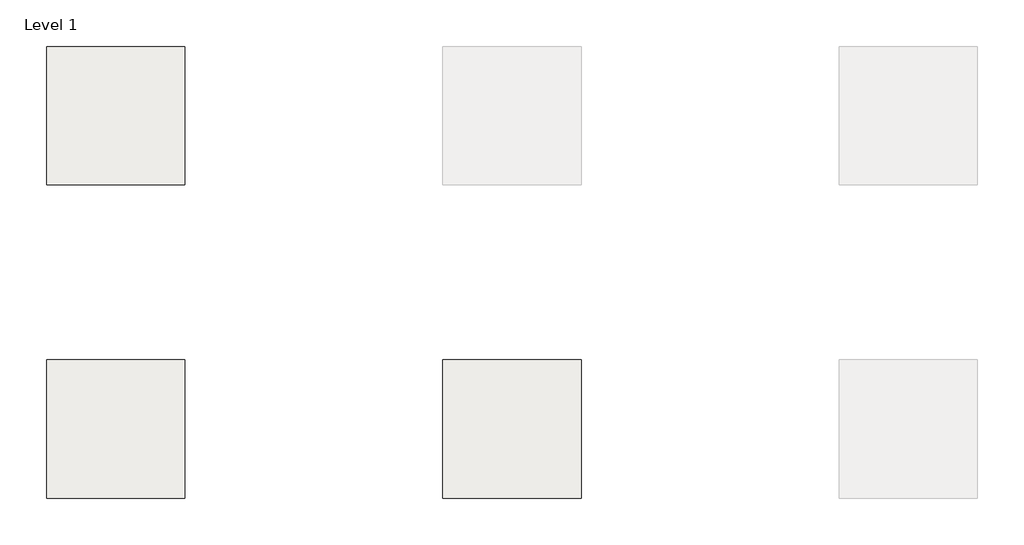
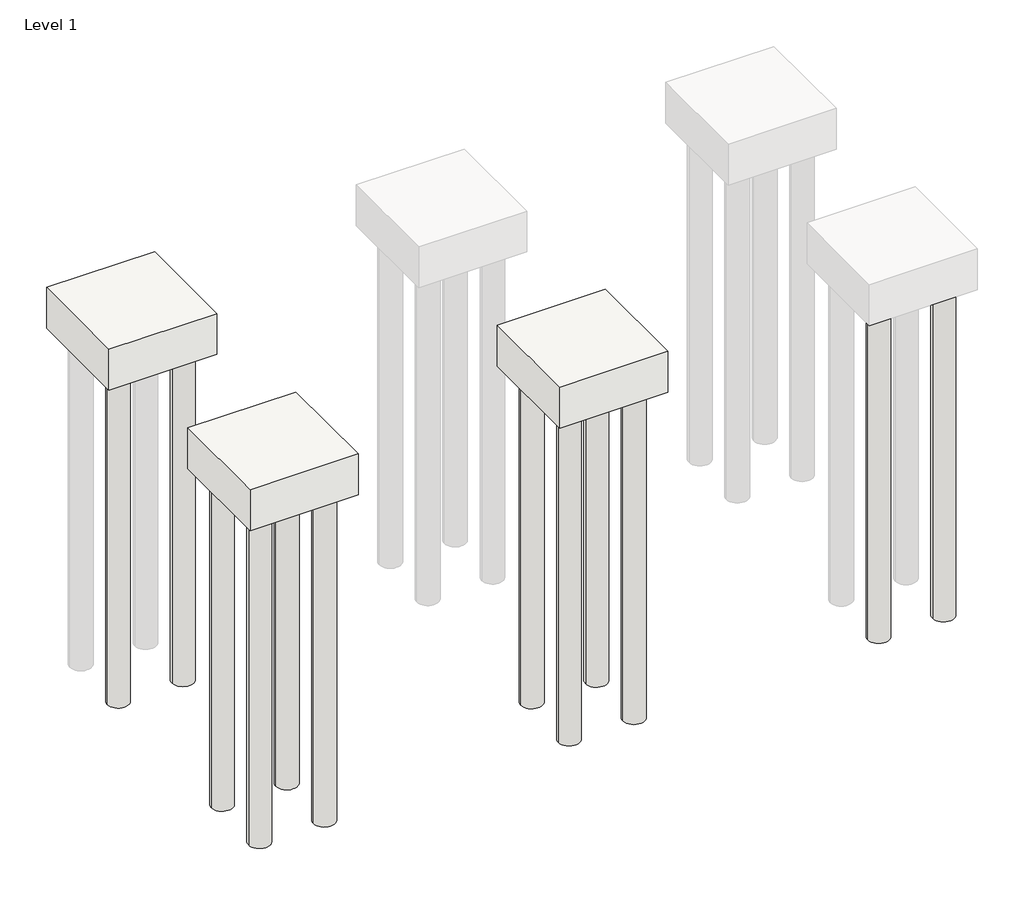
# One storey, part 1 of 2: 15 slabs.
"""IFC4 building model written with IfcOpenShell, lengths in millimetres."""

from ifc_helpers import new_model, si_unit, frame, origin, place, context, project, spatial, polyline, circle_curve, element, save
from ifc_brep_helpers import plane_surface, cylinder_surface, revolved_surface, advanced_brep

model = new_model("IFC4")

# Units and contexts
model_context = context("Model", 3, world=origin())
ifc_project = project(units=[si_unit("LENGTHUNIT", "METRE", prefix="MILLI")], contexts=[model_context])

# Site, building, storey
site = spatial("IfcSite", under=ifc_project)
building = spatial("IfcBuilding", under=site)
storey = spatial("IfcBuildingStorey", under=building, Name="Level 1", Elevation=0.0)

# Slabs
placement = place(None, origin())
element("IfcSlab", 1, ObjectType="4 Pile Round : 4 Pile Round", at=placement, inside=storey, context=model_context, shape_type="AdvancedBrep", body=[
    advanced_brep(
    [(1877.1865889, 4440.9620991, -600.0), (1877.1865889, 2940.9620991, -600.0), (377.1865889, 2940.9620991, -600.0), (377.1865889, 4440.9620991, -600.0), (527.1865889, 4140.9620991, -600.0), (827.1865889, 4140.9620991, -600.0), (1427.1865889, 4140.9620991, -600.0), (1727.1865889, 4140.9620991, -600.0), (1427.1865889, 3240.9620991, -600.0), (1727.1865889, 3240.9620991, -600.0), (527.1865889, 3240.9620991, -600.0), (827.1865889, 3240.9620991, -600.0), (1877.1865889, 4440.9620991, 0.0), (377.1865889, 4440.9620991, 0.0), (377.1865889, 2940.9620991, 0.0), (1877.1865889, 2940.9620991, 0.0), (527.1865889, 4140.9620991, -450.0), (827.1865889, 4140.9620991, -450.0), (1427.1865889, 4140.9620991, -450.0), (1727.1865889, 4140.9620991, -450.0), (1427.1865889, 3240.9620991, -450.0), (1727.1865889, 3240.9620991, -450.0), (527.1865889, 3240.9620991, -450.0), (827.1865889, 3240.9620991, -450.0)],
    [
        (0, 1),
        (1, 2),
        (2, 3),
        (3, 0),
        (4, 5, circle_curve(frame((677.1865889, 4140.9620991, -600.0), z_axis=(0.0, 0.0, 1.0), x_axis=(1.0, 0.0, 0.0)), 150.0)),
        (5, 4, circle_curve(frame((677.1865889, 4140.9620991, -600.0), z_axis=(0.0, 0.0, 1.0), x_axis=(1.0, 0.0, 0.0)), 150.0)),
        (6, 7, circle_curve(frame((1577.1865889, 4140.9620991, -600.0), z_axis=(0.0, 0.0, 1.0), x_axis=(1.0, 0.0, 0.0)), 150.0)),
        (7, 6, circle_curve(frame((1577.1865889, 4140.9620991, -600.0), z_axis=(0.0, 0.0, 1.0), x_axis=(1.0, 0.0, 0.0)), 150.0)),
        (8, 9, circle_curve(frame((1577.1865889, 3240.9620991, -600.0), z_axis=(0.0, 0.0, 1.0), x_axis=(1.0, 0.0, 0.0)), 150.0)),
        (9, 8, circle_curve(frame((1577.1865889, 3240.9620991, -600.0), z_axis=(0.0, 0.0, 1.0), x_axis=(1.0, 0.0, 0.0)), 150.0)),
        (10, 11, circle_curve(frame((677.1865889, 3240.9620991, -600.0), z_axis=(0.0, 0.0, 1.0), x_axis=(1.0, 0.0, 0.0)), 150.0)),
        (11, 10, circle_curve(frame((677.1865889, 3240.9620991, -600.0), z_axis=(0.0, 0.0, 1.0), x_axis=(1.0, 0.0, 0.0)), 150.0)),
        (12, 13),
        (13, 14),
        (14, 15),
        (15, 12),
        (3, 13),
        (12, 0),
        (2, 14),
        (1, 15),
        (16, 17, circle_curve(frame((677.1865889, 4140.9620991, -450.0), z_axis=(0.0, 0.0, -1.0), x_axis=(1.0, 0.0, 0.0)), 150.0)),
        (17, 16, circle_curve(frame((677.1865889, 4140.9620991, -450.0), z_axis=(0.0, 0.0, -1.0), x_axis=(1.0, 0.0, 0.0)), 150.0)),
        (18, 19, circle_curve(frame((1577.1865889, 4140.9620991, -450.0), z_axis=(0.0, 0.0, -1.0), x_axis=(1.0, 0.0, 0.0)), 150.0)),
        (19, 18, circle_curve(frame((1577.1865889, 4140.9620991, -450.0), z_axis=(0.0, 0.0, -1.0), x_axis=(1.0, 0.0, 0.0)), 150.0)),
        (20, 21, circle_curve(frame((1577.1865889, 3240.9620991, -450.0), z_axis=(0.0, 0.0, -1.0), x_axis=(1.0, 0.0, 0.0)), 150.0)),
        (21, 20, circle_curve(frame((1577.1865889, 3240.9620991, -450.0), z_axis=(0.0, 0.0, -1.0), x_axis=(1.0, 0.0, 0.0)), 150.0)),
        (22, 23, circle_curve(frame((677.1865889, 3240.9620991, -450.0), z_axis=(0.0, 0.0, -1.0), x_axis=(1.0, 0.0, 0.0)), 150.0)),
        (23, 22, circle_curve(frame((677.1865889, 3240.9620991, -450.0), z_axis=(0.0, 0.0, -1.0), x_axis=(1.0, 0.0, 0.0)), 150.0)),
        (17, 5),
        (4, 16),
        (19, 7),
        (6, 18),
        (21, 9),
        (8, 20),
        (23, 11),
        (10, 22),
    ],
    [
        plane_surface(frame((377.1865889, 4440.9620991, -600.0), z_axis=(0.0, 0.0, -1.0), x_axis=(1.0, 0.0, 0.0))),
        plane_surface(frame((377.1865889, 4440.9620991, 0.0), z_axis=(0.0, 0.0, 1.0), x_axis=(-1.0, 0.0, 0.0))),
        plane_surface(frame((1877.1865889, 4440.9620991, 0.0), z_axis=(0.0, 1.0, 0.0), x_axis=(0.0, 0.0, -1.0))),
        plane_surface(frame((377.1865889, 4440.9620991, 0.0), z_axis=(-1.0, 0.0, 0.0), x_axis=(0.0, 0.0, -1.0))),
        plane_surface(frame((377.1865889, 2940.9620991, 0.0), z_axis=(0.0, -1.0, 0.0), x_axis=(0.0, 0.0, -1.0))),
        plane_surface(frame((1877.1865889, 2940.9620991, 0.0), z_axis=(1.0, 0.0, 0.0), x_axis=(0.0, 0.0, -1.0))),
        plane_surface(frame((827.1865889, 4140.9620991, -450.0), z_axis=(0.0, 0.0, -1.0), x_axis=(0.0, 1.0, 0.0))),
        revolved_surface(polyline([(827.1865889, 4140.9620991, -450.0), (827.1865889, 4140.9620991, -600.0)]), (677.1865889, 4140.9620991, -600.0), (0.0, 0.0, 1.0)),
        revolved_surface(polyline([(1727.1865889, 4140.9620991, -450.0), (1727.1865889, 4140.9620991, -600.0)]), (1577.1865889, 4140.9620991, 0.0), (0.0, 0.0, 1.0)),
        revolved_surface(polyline([(1727.1865889, 3240.9620991, -450.0), (1727.1865889, 3240.9620991, -600.0)]), (1577.1865889, 3240.9620991, 0.0), (0.0, 0.0, 1.0)),
        revolved_surface(polyline([(827.1865889, 3240.9620991, -450.0), (827.1865889, 3240.9620991, -600.0)]), (677.1865889, 3240.9620991, 0.0), (0.0, 0.0, 1.0)),
    ],
    [
        (0, [[1, 2, 3, 4], [5, 6], [7, 8], [9, 10], [11, 12]]),
        (1, [[13, 14, 15, 16]]),
        (2, [[-4, 17, -13, 18]]),
        (3, [[-3, 19, -14, -17]]),
        (4, [[-2, 20, -15, -19]]),
        (5, [[-1, -18, -16, -20]]),
        (6, [[21, 22]]),
        (6, [[23, 24]]),
        (6, [[25, 26]]),
        (6, [[27, 28]]),
        (7, [[-22, 29, -5, 30]]),
        (7, [[-21, -30, -6, -29]]),
        (8, [[-24, 31, -7, 32]]),
        (8, [[-23, -32, -8, -31]]),
        (9, [[-26, 33, -9, 34]]),
        (9, [[-25, -34, -10, -33]]),
        (10, [[-28, 35, -11, 36]]),
        (10, [[-27, -36, -12, -35]]),
    ],
),
])
element("IfcSlab", 2, ObjectType="4 Pile Round : 4 Pile Round", at=placement, inside=storey, context=model_context, shape_type="AdvancedBrep", body=[
    advanced_brep(
    [(1877.1865889, 1040.9620991, -600.0), (1877.1865889, -459.0379009, -600.0), (377.1865889, -459.0379009, -600.0), (377.1865889, 1040.9620991, -600.0), (527.1865889, 740.9620991, -600.0), (827.1865889, 740.9620991, -600.0), (1427.1865889, 740.9620991, -600.0), (1727.1865889, 740.9620991, -600.0), (1427.1865889, -159.0379009, -600.0), (1727.1865889, -159.0379009, -600.0), (527.1865889, -159.0379009, -600.0), (827.1865889, -159.0379009, -600.0), (1877.1865889, 1040.9620991, 0.0), (377.1865889, 1040.9620991, 0.0), (377.1865889, -459.0379009, 0.0), (1877.1865889, -459.0379009, 0.0), (527.1865889, 740.9620991, -450.0), (827.1865889, 740.9620991, -450.0), (1427.1865889, 740.9620991, -450.0), (1727.1865889, 740.9620991, -450.0), (1427.1865889, -159.0379009, -450.0), (1727.1865889, -159.0379009, -450.0), (527.1865889, -159.0379009, -450.0), (827.1865889, -159.0379009, -450.0)],
    [
        (0, 1),
        (1, 2),
        (2, 3),
        (3, 0),
        (4, 5, circle_curve(frame((677.1865889, 740.9620991, -600.0), z_axis=(0.0, 0.0, 1.0), x_axis=(1.0, 0.0, 0.0)), 150.0)),
        (5, 4, circle_curve(frame((677.1865889, 740.9620991, -600.0), z_axis=(0.0, 0.0, 1.0), x_axis=(1.0, 0.0, 0.0)), 150.0)),
        (6, 7, circle_curve(frame((1577.1865889, 740.9620991, -600.0), z_axis=(0.0, 0.0, 1.0), x_axis=(1.0, 0.0, 0.0)), 150.0)),
        (7, 6, circle_curve(frame((1577.1865889, 740.9620991, -600.0), z_axis=(0.0, 0.0, 1.0), x_axis=(1.0, 0.0, 0.0)), 150.0)),
        (8, 9, circle_curve(frame((1577.1865889, -159.0379009, -600.0), z_axis=(0.0, 0.0, 1.0), x_axis=(1.0, 0.0, 0.0)), 150.0)),
        (9, 8, circle_curve(frame((1577.1865889, -159.0379009, -600.0), z_axis=(0.0, 0.0, 1.0), x_axis=(1.0, 0.0, 0.0)), 150.0)),
        (10, 11, circle_curve(frame((677.1865889, -159.0379009, -600.0), z_axis=(0.0, 0.0, 1.0), x_axis=(1.0, 0.0, 0.0)), 150.0)),
        (11, 10, circle_curve(frame((677.1865889, -159.0379009, -600.0), z_axis=(0.0, 0.0, 1.0), x_axis=(1.0, 0.0, 0.0)), 150.0)),
        (12, 13),
        (13, 14),
        (14, 15),
        (15, 12),
        (3, 13),
        (12, 0),
        (2, 14),
        (1, 15),
        (16, 17, circle_curve(frame((677.1865889, 740.9620991, -450.0), z_axis=(0.0, 0.0, -1.0), x_axis=(1.0, 0.0, 0.0)), 150.0)),
        (17, 16, circle_curve(frame((677.1865889, 740.9620991, -450.0), z_axis=(0.0, 0.0, -1.0), x_axis=(1.0, 0.0, 0.0)), 150.0)),
        (18, 19, circle_curve(frame((1577.1865889, 740.9620991, -450.0), z_axis=(0.0, 0.0, -1.0), x_axis=(1.0, 0.0, 0.0)), 150.0)),
        (19, 18, circle_curve(frame((1577.1865889, 740.9620991, -450.0), z_axis=(0.0, 0.0, -1.0), x_axis=(1.0, 0.0, 0.0)), 150.0)),
        (20, 21, circle_curve(frame((1577.1865889, -159.0379009, -450.0), z_axis=(0.0, 0.0, -1.0), x_axis=(1.0, 0.0, 0.0)), 150.0)),
        (21, 20, circle_curve(frame((1577.1865889, -159.0379009, -450.0), z_axis=(0.0, 0.0, -1.0), x_axis=(1.0, 0.0, 0.0)), 150.0)),
        (22, 23, circle_curve(frame((677.1865889, -159.0379009, -450.0), z_axis=(0.0, 0.0, -1.0), x_axis=(1.0, 0.0, 0.0)), 150.0)),
        (23, 22, circle_curve(frame((677.1865889, -159.0379009, -450.0), z_axis=(0.0, 0.0, -1.0), x_axis=(1.0, 0.0, 0.0)), 150.0)),
        (17, 5),
        (4, 16),
        (19, 7),
        (6, 18),
        (21, 9),
        (8, 20),
        (23, 11),
        (10, 22),
    ],
    [
        plane_surface(frame((377.1865889, 1040.9620991, -600.0), z_axis=(0.0, 0.0, -1.0), x_axis=(1.0, 0.0, 0.0))),
        plane_surface(frame((377.1865889, 1040.9620991, 0.0), z_axis=(0.0, 0.0, 1.0), x_axis=(-1.0, 0.0, 0.0))),
        plane_surface(frame((1877.1865889, 1040.9620991, 0.0), z_axis=(0.0, 1.0, 0.0), x_axis=(0.0, 0.0, -1.0))),
        plane_surface(frame((377.1865889, 1040.9620991, 0.0), z_axis=(-1.0, 0.0, 0.0), x_axis=(0.0, 0.0, -1.0))),
        plane_surface(frame((377.1865889, -459.0379009, 0.0), z_axis=(0.0, -1.0, 0.0), x_axis=(0.0, 0.0, -1.0))),
        plane_surface(frame((1877.1865889, -459.0379009, 0.0), z_axis=(1.0, 0.0, 0.0), x_axis=(0.0, 0.0, -1.0))),
        plane_surface(frame((827.1865889, 740.9620991, -450.0), z_axis=(0.0, 0.0, -1.0), x_axis=(0.0, 1.0, 0.0))),
        revolved_surface(polyline([(827.1865889, 740.9620991, -450.0), (827.1865889, 740.9620991, -600.0)]), (677.1865889, 740.9620991, -600.0), (0.0, 0.0, 1.0)),
        revolved_surface(polyline([(1727.1865889, 740.9620991, -450.0), (1727.1865889, 740.9620991, -600.0)]), (1577.1865889, 740.9620991, 0.0), (0.0, 0.0, 1.0)),
        revolved_surface(polyline([(1727.1865889, -159.0379009, -450.0), (1727.1865889, -159.0379009, -600.0)]), (1577.1865889, -159.0379009, 0.0), (0.0, 0.0, 1.0)),
        revolved_surface(polyline([(827.1865889, -159.0379009, -450.0), (827.1865889, -159.0379009, -600.0)]), (677.1865889, -159.0379009, 0.0), (0.0, 0.0, 1.0)),
    ],
    [
        (0, [[1, 2, 3, 4], [5, 6], [7, 8], [9, 10], [11, 12]]),
        (1, [[13, 14, 15, 16]]),
        (2, [[-4, 17, -13, 18]]),
        (3, [[-3, 19, -14, -17]]),
        (4, [[-2, 20, -15, -19]]),
        (5, [[-1, -18, -16, -20]]),
        (6, [[21, 22]]),
        (6, [[23, 24]]),
        (6, [[25, 26]]),
        (6, [[27, 28]]),
        (7, [[-22, 29, -5, 30]]),
        (7, [[-21, -30, -6, -29]]),
        (8, [[-24, 31, -7, 32]]),
        (8, [[-23, -32, -8, -31]]),
        (9, [[-26, 33, -9, 34]]),
        (9, [[-25, -34, -10, -33]]),
        (10, [[-28, 35, -11, 36]]),
        (10, [[-27, -36, -12, -35]]),
    ],
),
])
element("IfcSlab", 3, ObjectType="4 Pile Round : 4 Pile Round", at=placement, inside=storey, context=model_context, shape_type="AdvancedBrep", body=[
    advanced_brep(
    [(6177.1865889, 1040.9620991, -600.0), (6177.1865889, -459.0379009, -600.0), (4677.1865889, -459.0379009, -600.0), (4677.1865889, 1040.9620991, -600.0), (4827.1865889, 740.9620991, -600.0), (5127.1865889, 740.9620991, -600.0), (5727.1865889, 740.9620991, -600.0), (6027.1865889, 740.9620991, -600.0), (5727.1865889, -159.0379009, -600.0), (6027.1865889, -159.0379009, -600.0), (4827.1865889, -159.0379009, -600.0), (5127.1865889, -159.0379009, -600.0), (6177.1865889, 1040.9620991, 0.0), (4677.1865889, 1040.9620991, 0.0), (4677.1865889, -459.0379009, 0.0), (6177.1865889, -459.0379009, 0.0), (4827.1865889, 740.9620991, -450.0), (5127.1865889, 740.9620991, -450.0), (5727.1865889, 740.9620991, -450.0), (6027.1865889, 740.9620991, -450.0), (5727.1865889, -159.0379009, -450.0), (6027.1865889, -159.0379009, -450.0), (4827.1865889, -159.0379009, -450.0), (5127.1865889, -159.0379009, -450.0)],
    [
        (0, 1),
        (1, 2),
        (2, 3),
        (3, 0),
        (4, 5, circle_curve(frame((4977.1865889, 740.9620991, -600.0), z_axis=(0.0, 0.0, 1.0), x_axis=(1.0, 0.0, 0.0)), 150.0)),
        (5, 4, circle_curve(frame((4977.1865889, 740.9620991, -600.0), z_axis=(0.0, 0.0, 1.0), x_axis=(1.0, 0.0, 0.0)), 150.0)),
        (6, 7, circle_curve(frame((5877.1865889, 740.9620991, -600.0), z_axis=(0.0, 0.0, 1.0), x_axis=(1.0, 0.0, 0.0)), 150.0)),
        (7, 6, circle_curve(frame((5877.1865889, 740.9620991, -600.0), z_axis=(0.0, 0.0, 1.0), x_axis=(1.0, 0.0, 0.0)), 150.0)),
        (8, 9, circle_curve(frame((5877.1865889, -159.0379009, -600.0), z_axis=(0.0, 0.0, 1.0), x_axis=(1.0, 0.0, 0.0)), 150.0)),
        (9, 8, circle_curve(frame((5877.1865889, -159.0379009, -600.0), z_axis=(0.0, 0.0, 1.0), x_axis=(1.0, 0.0, 0.0)), 150.0)),
        (10, 11, circle_curve(frame((4977.1865889, -159.0379009, -600.0), z_axis=(0.0, 0.0, 1.0), x_axis=(1.0, 0.0, 0.0)), 150.0)),
        (11, 10, circle_curve(frame((4977.1865889, -159.0379009, -600.0), z_axis=(0.0, 0.0, 1.0), x_axis=(1.0, 0.0, 0.0)), 150.0)),
        (12, 13),
        (13, 14),
        (14, 15),
        (15, 12),
        (3, 13),
        (12, 0),
        (2, 14),
        (1, 15),
        (16, 17, circle_curve(frame((4977.1865889, 740.9620991, -450.0), z_axis=(0.0, 0.0, -1.0), x_axis=(1.0, 0.0, 0.0)), 150.0)),
        (17, 16, circle_curve(frame((4977.1865889, 740.9620991, -450.0), z_axis=(0.0, 0.0, -1.0), x_axis=(1.0, 0.0, 0.0)), 150.0)),
        (18, 19, circle_curve(frame((5877.1865889, 740.9620991, -450.0), z_axis=(0.0, 0.0, -1.0), x_axis=(1.0, 0.0, 0.0)), 150.0)),
        (19, 18, circle_curve(frame((5877.1865889, 740.9620991, -450.0), z_axis=(0.0, 0.0, -1.0), x_axis=(1.0, 0.0, 0.0)), 150.0)),
        (20, 21, circle_curve(frame((5877.1865889, -159.0379009, -450.0), z_axis=(0.0, 0.0, -1.0), x_axis=(1.0, 0.0, 0.0)), 150.0)),
        (21, 20, circle_curve(frame((5877.1865889, -159.0379009, -450.0), z_axis=(0.0, 0.0, -1.0), x_axis=(1.0, 0.0, 0.0)), 150.0)),
        (22, 23, circle_curve(frame((4977.1865889, -159.0379009, -450.0), z_axis=(0.0, 0.0, -1.0), x_axis=(1.0, 0.0, 0.0)), 150.0)),
        (23, 22, circle_curve(frame((4977.1865889, -159.0379009, -450.0), z_axis=(0.0, 0.0, -1.0), x_axis=(1.0, 0.0, 0.0)), 150.0)),
        (17, 5),
        (4, 16),
        (19, 7),
        (6, 18),
        (21, 9),
        (8, 20),
        (23, 11),
        (10, 22),
    ],
    [
        plane_surface(frame((4677.1865889, 1040.9620991, -600.0), z_axis=(0.0, 0.0, -1.0), x_axis=(1.0, 0.0, 0.0))),
        plane_surface(frame((4677.1865889, 1040.9620991, 0.0), z_axis=(0.0, 0.0, 1.0), x_axis=(-1.0, 0.0, 0.0))),
        plane_surface(frame((6177.1865889, 1040.9620991, 0.0), z_axis=(0.0, 1.0, 0.0), x_axis=(0.0, 0.0, -1.0))),
        plane_surface(frame((4677.1865889, 1040.9620991, 0.0), z_axis=(-1.0, 0.0, 0.0), x_axis=(0.0, 0.0, -1.0))),
        plane_surface(frame((4677.1865889, -459.0379009, 0.0), z_axis=(0.0, -1.0, 0.0), x_axis=(0.0, 0.0, -1.0))),
        plane_surface(frame((6177.1865889, -459.0379009, 0.0), z_axis=(1.0, 0.0, 0.0), x_axis=(0.0, 0.0, -1.0))),
        plane_surface(frame((5127.1865889, 740.9620991, -450.0), z_axis=(0.0, 0.0, -1.0), x_axis=(0.0, 1.0, 0.0))),
        revolved_surface(polyline([(5127.1865889, 740.9620991, -450.0), (5127.1865889, 740.9620991, -600.0)]), (4977.1865889, 740.9620991, -600.0), (0.0, 0.0, 1.0)),
        revolved_surface(polyline([(6027.1865889, 740.9620991, -450.0), (6027.1865889, 740.9620991, -600.0)]), (5877.1865889, 740.9620991, 0.0), (0.0, 0.0, 1.0)),
        revolved_surface(polyline([(6027.1865889, -159.0379009, -450.0), (6027.1865889, -159.0379009, -600.0)]), (5877.1865889, -159.0379009, 0.0), (0.0, 0.0, 1.0)),
        revolved_surface(polyline([(5127.1865889, -159.0379009, -450.0), (5127.1865889, -159.0379009, -600.0)]), (4977.1865889, -159.0379009, 0.0), (0.0, 0.0, 1.0)),
    ],
    [
        (0, [[1, 2, 3, 4], [5, 6], [7, 8], [9, 10], [11, 12]]),
        (1, [[13, 14, 15, 16]]),
        (2, [[-4, 17, -13, 18]]),
        (3, [[-3, 19, -14, -17]]),
        (4, [[-2, 20, -15, -19]]),
        (5, [[-1, -18, -16, -20]]),
        (6, [[21, 22]]),
        (6, [[23, 24]]),
        (6, [[25, 26]]),
        (6, [[27, 28]]),
        (7, [[-22, 29, -5, 30]]),
        (7, [[-21, -30, -6, -29]]),
        (8, [[-24, 31, -7, 32]]),
        (8, [[-23, -32, -8, -31]]),
        (9, [[-26, 33, -9, 34]]),
        (9, [[-25, -34, -10, -33]]),
        (10, [[-28, 35, -11, 36]]),
        (10, [[-27, -36, -12, -35]]),
    ],
),
])
element("IfcSlab", 4, ObjectType="Precast Round Pile : 200DIA", at=placement, inside=storey, context=model_context, shape_type="AdvancedBrep", body=[
    advanced_brep(
    [(1427.1865889, 3240.9620991, -5450.0), (1727.1865889, 3240.9620991, -5450.0), (1427.1865889, 3240.9620991, -450.0), (1727.1865889, 3240.9620991, -450.0), (1727.1865889, 3240.9620991, -600.0), (1427.1865889, 3240.9620991, -600.0)],
    [
        (0, 1, circle_curve(frame((1577.1865889, 3240.9620991, -5450.0), z_axis=(0.0, 0.0, -1.0), x_axis=(1.0, 0.0, 0.0)), 150.0)),
        (1, 0, circle_curve(frame((1577.1865889, 3240.9620991, -5450.0), z_axis=(0.0, 0.0, -1.0), x_axis=(1.0, 0.0, 0.0)), 150.0)),
        (2, 3, circle_curve(frame((1577.1865889, 3240.9620991, -450.0), z_axis=(0.0, 0.0, 1.0), x_axis=(1.0, 0.0, 0.0)), 150.0)),
        (3, 2, circle_curve(frame((1577.1865889, 3240.9620991, -450.0), z_axis=(0.0, 0.0, 1.0), x_axis=(1.0, 0.0, 0.0)), 150.0)),
        (1, 4),
        (4, 3),
        (2, 5),
        (5, 0),
    ],
    [
        plane_surface(frame((1727.1865889, 3240.9620991, -5450.0), z_axis=(0.0, 0.0, -1.0), x_axis=(0.0, -1.0, 0.0))),
        plane_surface(frame((1727.1865889, 3240.9620991, -450.0), z_axis=(0.0, 0.0, 1.0), x_axis=(0.0, 1.0, 0.0))),
        cylinder_surface(frame((1577.1865889, 3240.9620991, -5450.0), z_axis=(0.0, 0.0, 1.0), x_axis=(1.0, 0.0, 0.0)), 150.0),
    ],
    [
        (0, [[1, 2]]),
        (1, [[3, 4]]),
        (2, [[-2, 5, 6, -3, 7, 8]]),
        (2, [[-1, -8, -7, -4, -6, -5]]),
    ],
),
])
element("IfcSlab", 5, ObjectType="Precast Round Pile : 200DIA", at=placement, inside=storey, context=model_context, shape_type="AdvancedBrep", body=[
    advanced_brep(
    [(527.1865889, 3240.9620991, -5450.0), (827.1865889, 3240.9620991, -5450.0), (527.1865889, 3240.9620991, -450.0), (827.1865889, 3240.9620991, -450.0), (827.1865889, 3240.9620991, -600.0), (527.1865889, 3240.9620991, -600.0)],
    [
        (0, 1, circle_curve(frame((677.1865889, 3240.9620991, -5450.0), z_axis=(0.0, 0.0, -1.0), x_axis=(1.0, 0.0, 0.0)), 150.0)),
        (1, 0, circle_curve(frame((677.1865889, 3240.9620991, -5450.0), z_axis=(0.0, 0.0, -1.0), x_axis=(1.0, 0.0, 0.0)), 150.0)),
        (2, 3, circle_curve(frame((677.1865889, 3240.9620991, -450.0), z_axis=(0.0, 0.0, 1.0), x_axis=(1.0, 0.0, 0.0)), 150.0)),
        (3, 2, circle_curve(frame((677.1865889, 3240.9620991, -450.0), z_axis=(0.0, 0.0, 1.0), x_axis=(1.0, 0.0, 0.0)), 150.0)),
        (1, 4),
        (4, 3),
        (2, 5),
        (5, 0),
    ],
    [
        plane_surface(frame((827.1865889, 3240.9620991, -5450.0), z_axis=(0.0, 0.0, -1.0), x_axis=(0.0, -1.0, 0.0))),
        plane_surface(frame((827.1865889, 3240.9620991, -450.0), z_axis=(0.0, 0.0, 1.0), x_axis=(0.0, 1.0, 0.0))),
        cylinder_surface(frame((677.1865889, 3240.9620991, -5450.0), z_axis=(0.0, 0.0, 1.0), x_axis=(1.0, 0.0, 0.0)), 150.0),
    ],
    [
        (0, [[1, 2]]),
        (1, [[3, 4]]),
        (2, [[-2, 5, 6, -3, 7, 8]]),
        (2, [[-1, -8, -7, -4, -6, -5]]),
    ],
),
])
element("IfcSlab", 6, ObjectType="Precast Round Pile : 200DIA", at=placement, inside=storey, context=model_context, shape_type="AdvancedBrep", body=[
    advanced_brep(
    [(527.1865889, 740.9620991, -5450.0), (827.1865889, 740.9620991, -5450.0), (527.1865889, 740.9620991, -450.0), (827.1865889, 740.9620991, -450.0), (827.1865889, 740.9620991, -600.0), (527.1865889, 740.9620991, -600.0)],
    [
        (0, 1, circle_curve(frame((677.1865889, 740.9620991, -5450.0), z_axis=(0.0, 0.0, -1.0), x_axis=(1.0, 0.0, 0.0)), 150.0)),
        (1, 0, circle_curve(frame((677.1865889, 740.9620991, -5450.0), z_axis=(0.0, 0.0, -1.0), x_axis=(1.0, 0.0, 0.0)), 150.0)),
        (2, 3, circle_curve(frame((677.1865889, 740.9620991, -450.0), z_axis=(0.0, 0.0, 1.0), x_axis=(1.0, 0.0, 0.0)), 150.0)),
        (3, 2, circle_curve(frame((677.1865889, 740.9620991, -450.0), z_axis=(0.0, 0.0, 1.0), x_axis=(1.0, 0.0, 0.0)), 150.0)),
        (1, 4),
        (4, 3),
        (2, 5),
        (5, 0),
    ],
    [
        plane_surface(frame((827.1865889, 740.9620991, -5450.0), z_axis=(0.0, 0.0, -1.0), x_axis=(0.0, -1.0, 0.0))),
        plane_surface(frame((827.1865889, 740.9620991, -450.0), z_axis=(0.0, 0.0, 1.0), x_axis=(0.0, 1.0, 0.0))),
        cylinder_surface(frame((677.1865889, 740.9620991, -5450.0), z_axis=(0.0, 0.0, 1.0), x_axis=(1.0, 0.0, 0.0)), 150.0),
    ],
    [
        (0, [[1, 2]]),
        (1, [[3, 4]]),
        (2, [[-2, 5, 6, -3, 7, 8]]),
        (2, [[-1, -8, -7, -4, -6, -5]]),
    ],
),
])
element("IfcSlab", 7, ObjectType="Precast Round Pile : 200DIA", at=placement, inside=storey, context=model_context, shape_type="AdvancedBrep", body=[
    advanced_brep(
    [(1427.1865889, 740.9620991, -5450.0), (1727.1865889, 740.9620991, -5450.0), (1427.1865889, 740.9620991, -450.0), (1727.1865889, 740.9620991, -450.0), (1727.1865889, 740.9620991, -600.0), (1427.1865889, 740.9620991, -600.0)],
    [
        (0, 1, circle_curve(frame((1577.1865889, 740.9620991, -5450.0), z_axis=(0.0, 0.0, -1.0), x_axis=(1.0, 0.0, 0.0)), 150.0)),
        (1, 0, circle_curve(frame((1577.1865889, 740.9620991, -5450.0), z_axis=(0.0, 0.0, -1.0), x_axis=(1.0, 0.0, 0.0)), 150.0)),
        (2, 3, circle_curve(frame((1577.1865889, 740.9620991, -450.0), z_axis=(0.0, 0.0, 1.0), x_axis=(1.0, 0.0, 0.0)), 150.0)),
        (3, 2, circle_curve(frame((1577.1865889, 740.9620991, -450.0), z_axis=(0.0, 0.0, 1.0), x_axis=(1.0, 0.0, 0.0)), 150.0)),
        (1, 4),
        (4, 3),
        (2, 5),
        (5, 0),
    ],
    [
        plane_surface(frame((1727.1865889, 740.9620991, -5450.0), z_axis=(0.0, 0.0, -1.0), x_axis=(0.0, -1.0, 0.0))),
        plane_surface(frame((1727.1865889, 740.9620991, -450.0), z_axis=(0.0, 0.0, 1.0), x_axis=(0.0, 1.0, 0.0))),
        cylinder_surface(frame((1577.1865889, 740.9620991, -5450.0), z_axis=(0.0, 0.0, 1.0), x_axis=(1.0, 0.0, 0.0)), 150.0),
    ],
    [
        (0, [[1, 2]]),
        (1, [[3, 4]]),
        (2, [[-2, 5, 6, -3, 7, 8]]),
        (2, [[-1, -8, -7, -4, -6, -5]]),
    ],
),
])
element("IfcSlab", 8, ObjectType="Precast Round Pile : 200DIA", at=placement, inside=storey, context=model_context, shape_type="AdvancedBrep", body=[
    advanced_brep(
    [(1427.1865889, -159.0379009, -5450.0), (1727.1865889, -159.0379009, -5450.0), (1427.1865889, -159.0379009, -450.0), (1727.1865889, -159.0379009, -450.0), (1727.1865889, -159.0379009, -600.0), (1427.1865889, -159.0379009, -600.0)],
    [
        (0, 1, circle_curve(frame((1577.1865889, -159.0379009, -5450.0), z_axis=(0.0, 0.0, -1.0), x_axis=(1.0, 0.0, 0.0)), 150.0)),
        (1, 0, circle_curve(frame((1577.1865889, -159.0379009, -5450.0), z_axis=(0.0, 0.0, -1.0), x_axis=(1.0, 0.0, 0.0)), 150.0)),
        (2, 3, circle_curve(frame((1577.1865889, -159.0379009, -450.0), z_axis=(0.0, 0.0, 1.0), x_axis=(1.0, 0.0, 0.0)), 150.0)),
        (3, 2, circle_curve(frame((1577.1865889, -159.0379009, -450.0), z_axis=(0.0, 0.0, 1.0), x_axis=(1.0, 0.0, 0.0)), 150.0)),
        (1, 4),
        (4, 3),
        (2, 5),
        (5, 0),
    ],
    [
        plane_surface(frame((1727.1865889, -159.0379009, -5450.0), z_axis=(0.0, 0.0, -1.0), x_axis=(0.0, -1.0, 0.0))),
        plane_surface(frame((1727.1865889, -159.0379009, -450.0), z_axis=(0.0, 0.0, 1.0), x_axis=(0.0, 1.0, 0.0))),
        cylinder_surface(frame((1577.1865889, -159.0379009, -5450.0), z_axis=(0.0, 0.0, 1.0), x_axis=(1.0, 0.0, 0.0)), 150.0),
    ],
    [
        (0, [[1, 2]]),
        (1, [[3, 4]]),
        (2, [[-2, 5, 6, -3, 7, 8]]),
        (2, [[-1, -8, -7, -4, -6, -5]]),
    ],
),
])
element("IfcSlab", 9, ObjectType="Precast Round Pile : 200DIA", at=placement, inside=storey, context=model_context, shape_type="AdvancedBrep", body=[
    advanced_brep(
    [(527.1865889, -159.0379009, -5450.0), (827.1865889, -159.0379009, -5450.0), (527.1865889, -159.0379009, -450.0), (827.1865889, -159.0379009, -450.0), (827.1865889, -159.0379009, -600.0), (527.1865889, -159.0379009, -600.0)],
    [
        (0, 1, circle_curve(frame((677.1865889, -159.0379009, -5450.0), z_axis=(0.0, 0.0, -1.0), x_axis=(1.0, 0.0, 0.0)), 150.0)),
        (1, 0, circle_curve(frame((677.1865889, -159.0379009, -5450.0), z_axis=(0.0, 0.0, -1.0), x_axis=(1.0, 0.0, 0.0)), 150.0)),
        (2, 3, circle_curve(frame((677.1865889, -159.0379009, -450.0), z_axis=(0.0, 0.0, 1.0), x_axis=(1.0, 0.0, 0.0)), 150.0)),
        (3, 2, circle_curve(frame((677.1865889, -159.0379009, -450.0), z_axis=(0.0, 0.0, 1.0), x_axis=(1.0, 0.0, 0.0)), 150.0)),
        (1, 4),
        (4, 3),
        (2, 5),
        (5, 0),
    ],
    [
        plane_surface(frame((827.1865889, -159.0379009, -5450.0), z_axis=(0.0, 0.0, -1.0), x_axis=(0.0, -1.0, 0.0))),
        plane_surface(frame((827.1865889, -159.0379009, -450.0), z_axis=(0.0, 0.0, 1.0), x_axis=(0.0, 1.0, 0.0))),
        cylinder_surface(frame((677.1865889, -159.0379009, -5450.0), z_axis=(0.0, 0.0, 1.0), x_axis=(1.0, 0.0, 0.0)), 150.0),
    ],
    [
        (0, [[1, 2]]),
        (1, [[3, 4]]),
        (2, [[-2, 5, 6, -3, 7, 8]]),
        (2, [[-1, -8, -7, -4, -6, -5]]),
    ],
),
])
element("IfcSlab", 10, ObjectType="Precast Round Pile : 200DIA", at=placement, inside=storey, context=model_context, shape_type="AdvancedBrep", body=[
    advanced_brep(
    [(4827.1865889, 740.9620991, -5450.0), (5127.1865889, 740.9620991, -5450.0), (4827.1865889, 740.9620991, -450.0), (5127.1865889, 740.9620991, -450.0), (5127.1865889, 740.9620991, -600.0), (4827.1865889, 740.9620991, -600.0)],
    [
        (0, 1, circle_curve(frame((4977.1865889, 740.9620991, -5450.0), z_axis=(0.0, 0.0, -1.0), x_axis=(1.0, 0.0, 0.0)), 150.0)),
        (1, 0, circle_curve(frame((4977.1865889, 740.9620991, -5450.0), z_axis=(0.0, 0.0, -1.0), x_axis=(1.0, 0.0, 0.0)), 150.0)),
        (2, 3, circle_curve(frame((4977.1865889, 740.9620991, -450.0), z_axis=(0.0, 0.0, 1.0), x_axis=(1.0, 0.0, 0.0)), 150.0)),
        (3, 2, circle_curve(frame((4977.1865889, 740.9620991, -450.0), z_axis=(0.0, 0.0, 1.0), x_axis=(1.0, 0.0, 0.0)), 150.0)),
        (1, 4),
        (4, 3),
        (2, 5),
        (5, 0),
    ],
    [
        plane_surface(frame((5127.1865889, 740.9620991, -5450.0), z_axis=(0.0, 0.0, -1.0), x_axis=(0.0, -1.0, 0.0))),
        plane_surface(frame((5127.1865889, 740.9620991, -450.0), z_axis=(0.0, 0.0, 1.0), x_axis=(0.0, 1.0, 0.0))),
        cylinder_surface(frame((4977.1865889, 740.9620991, -5450.0), z_axis=(0.0, 0.0, 1.0), x_axis=(1.0, 0.0, 0.0)), 150.0),
    ],
    [
        (0, [[1, 2]]),
        (1, [[3, 4]]),
        (2, [[-2, 5, 6, -3, 7, 8]]),
        (2, [[-1, -8, -7, -4, -6, -5]]),
    ],
),
])
element("IfcSlab", 11, ObjectType="Precast Round Pile : 200DIA", at=placement, inside=storey, context=model_context, shape_type="AdvancedBrep", body=[
    advanced_brep(
    [(5727.1865889, 740.9620991, -5450.0), (6027.1865889, 740.9620991, -5450.0), (5727.1865889, 740.9620991, -450.0), (6027.1865889, 740.9620991, -450.0), (6027.1865889, 740.9620991, -600.0), (5727.1865889, 740.9620991, -600.0)],
    [
        (0, 1, circle_curve(frame((5877.1865889, 740.9620991, -5450.0), z_axis=(0.0, 0.0, -1.0), x_axis=(1.0, 0.0, 0.0)), 150.0)),
        (1, 0, circle_curve(frame((5877.1865889, 740.9620991, -5450.0), z_axis=(0.0, 0.0, -1.0), x_axis=(1.0, 0.0, 0.0)), 150.0)),
        (2, 3, circle_curve(frame((5877.1865889, 740.9620991, -450.0), z_axis=(0.0, 0.0, 1.0), x_axis=(1.0, 0.0, 0.0)), 150.0)),
        (3, 2, circle_curve(frame((5877.1865889, 740.9620991, -450.0), z_axis=(0.0, 0.0, 1.0), x_axis=(1.0, 0.0, 0.0)), 150.0)),
        (1, 4),
        (4, 3),
        (2, 5),
        (5, 0),
    ],
    [
        plane_surface(frame((6027.1865889, 740.9620991, -5450.0), z_axis=(0.0, 0.0, -1.0), x_axis=(0.0, -1.0, 0.0))),
        plane_surface(frame((6027.1865889, 740.9620991, -450.0), z_axis=(0.0, 0.0, 1.0), x_axis=(0.0, 1.0, 0.0))),
        cylinder_surface(frame((5877.1865889, 740.9620991, -5450.0), z_axis=(0.0, 0.0, 1.0), x_axis=(1.0, 0.0, 0.0)), 150.0),
    ],
    [
        (0, [[1, 2]]),
        (1, [[3, 4]]),
        (2, [[-2, 5, 6, -3, 7, 8]]),
        (2, [[-1, -8, -7, -4, -6, -5]]),
    ],
),
])
element("IfcSlab", 12, ObjectType="Precast Round Pile : 200DIA", at=placement, inside=storey, context=model_context, shape_type="AdvancedBrep", body=[
    advanced_brep(
    [(5727.1865889, -159.0379009, -5450.0), (6027.1865889, -159.0379009, -5450.0), (5727.1865889, -159.0379009, -450.0), (6027.1865889, -159.0379009, -450.0), (6027.1865889, -159.0379009, -600.0), (5727.1865889, -159.0379009, -600.0)],
    [
        (0, 1, circle_curve(frame((5877.1865889, -159.0379009, -5450.0), z_axis=(0.0, 0.0, -1.0), x_axis=(1.0, 0.0, 0.0)), 150.0)),
        (1, 0, circle_curve(frame((5877.1865889, -159.0379009, -5450.0), z_axis=(0.0, 0.0, -1.0), x_axis=(1.0, 0.0, 0.0)), 150.0)),
        (2, 3, circle_curve(frame((5877.1865889, -159.0379009, -450.0), z_axis=(0.0, 0.0, 1.0), x_axis=(1.0, 0.0, 0.0)), 150.0)),
        (3, 2, circle_curve(frame((5877.1865889, -159.0379009, -450.0), z_axis=(0.0, 0.0, 1.0), x_axis=(1.0, 0.0, 0.0)), 150.0)),
        (1, 4),
        (4, 3),
        (2, 5),
        (5, 0),
    ],
    [
        plane_surface(frame((6027.1865889, -159.0379009, -5450.0), z_axis=(0.0, 0.0, -1.0), x_axis=(0.0, -1.0, 0.0))),
        plane_surface(frame((6027.1865889, -159.0379009, -450.0), z_axis=(0.0, 0.0, 1.0), x_axis=(0.0, 1.0, 0.0))),
        cylinder_surface(frame((5877.1865889, -159.0379009, -5450.0), z_axis=(0.0, 0.0, 1.0), x_axis=(1.0, 0.0, 0.0)), 150.0),
    ],
    [
        (0, [[1, 2]]),
        (1, [[3, 4]]),
        (2, [[-2, 5, 6, -3, 7, 8]]),
        (2, [[-1, -8, -7, -4, -6, -5]]),
    ],
),
])
element("IfcSlab", 13, ObjectType="Precast Round Pile : 200DIA", at=placement, inside=storey, context=model_context, shape_type="AdvancedBrep", body=[
    advanced_brep(
    [(4827.1865889, -159.0379009, -5450.0), (5127.1865889, -159.0379009, -5450.0), (4827.1865889, -159.0379009, -450.0), (5127.1865889, -159.0379009, -450.0), (5127.1865889, -159.0379009, -600.0), (4827.1865889, -159.0379009, -600.0)],
    [
        (0, 1, circle_curve(frame((4977.1865889, -159.0379009, -5450.0), z_axis=(0.0, 0.0, -1.0), x_axis=(1.0, 0.0, 0.0)), 150.0)),
        (1, 0, circle_curve(frame((4977.1865889, -159.0379009, -5450.0), z_axis=(0.0, 0.0, -1.0), x_axis=(1.0, 0.0, 0.0)), 150.0)),
        (2, 3, circle_curve(frame((4977.1865889, -159.0379009, -450.0), z_axis=(0.0, 0.0, 1.0), x_axis=(1.0, 0.0, 0.0)), 150.0)),
        (3, 2, circle_curve(frame((4977.1865889, -159.0379009, -450.0), z_axis=(0.0, 0.0, 1.0), x_axis=(1.0, 0.0, 0.0)), 150.0)),
        (1, 4),
        (4, 3),
        (2, 5),
        (5, 0),
    ],
    [
        plane_surface(frame((5127.1865889, -159.0379009, -5450.0), z_axis=(0.0, 0.0, -1.0), x_axis=(0.0, -1.0, 0.0))),
        plane_surface(frame((5127.1865889, -159.0379009, -450.0), z_axis=(0.0, 0.0, 1.0), x_axis=(0.0, 1.0, 0.0))),
        cylinder_surface(frame((4977.1865889, -159.0379009, -5450.0), z_axis=(0.0, 0.0, 1.0), x_axis=(1.0, 0.0, 0.0)), 150.0),
    ],
    [
        (0, [[1, 2]]),
        (1, [[3, 4]]),
        (2, [[-2, 5, 6, -3, 7, 8]]),
        (2, [[-1, -8, -7, -4, -6, -5]]),
    ],
),
])
element("IfcSlab", 14, ObjectType="Precast Round Pile : 200DIA", at=placement, inside=storey, context=model_context, shape_type="AdvancedBrep", body=[
    advanced_brep(
    [(10027.1865889, -159.0379009, -5450.0), (10327.1865889, -159.0379009, -5450.0), (10027.1865889, -159.0379009, -450.0), (10327.1865889, -159.0379009, -450.0), (10327.1865889, -159.0379009, -600.0), (10027.1865889, -159.0379009, -600.0)],
    [
        (0, 1, circle_curve(frame((10177.1865889, -159.0379009, -5450.0), z_axis=(0.0, 0.0, -1.0), x_axis=(1.0, 0.0, 0.0)), 150.0)),
        (1, 0, circle_curve(frame((10177.1865889, -159.0379009, -5450.0), z_axis=(0.0, 0.0, -1.0), x_axis=(1.0, 0.0, 0.0)), 150.0)),
        (2, 3, circle_curve(frame((10177.1865889, -159.0379009, -450.0), z_axis=(0.0, 0.0, 1.0), x_axis=(1.0, 0.0, 0.0)), 150.0)),
        (3, 2, circle_curve(frame((10177.1865889, -159.0379009, -450.0), z_axis=(0.0, 0.0, 1.0), x_axis=(1.0, 0.0, 0.0)), 150.0)),
        (1, 4),
        (4, 3),
        (2, 5),
        (5, 0),
    ],
    [
        plane_surface(frame((10327.1865889, -159.0379009, -5450.0), z_axis=(0.0, 0.0, -1.0), x_axis=(0.0, -1.0, 0.0))),
        plane_surface(frame((10327.1865889, -159.0379009, -450.0), z_axis=(0.0, 0.0, 1.0), x_axis=(0.0, 1.0, 0.0))),
        cylinder_surface(frame((10177.1865889, -159.0379009, -5450.0), z_axis=(0.0, 0.0, 1.0), x_axis=(1.0, 0.0, 0.0)), 150.0),
    ],
    [
        (0, [[1, 2]]),
        (1, [[3, 4]]),
        (2, [[-2, 5, 6, -3, 7, 8]]),
        (2, [[-1, -8, -7, -4, -6, -5]]),
    ],
),
])
element("IfcSlab", 15, ObjectType="Precast Round Pile : 200DIA", at=placement, inside=storey, context=model_context, shape_type="AdvancedBrep", body=[
    advanced_brep(
    [(9127.1865889, -159.0379009, -5450.0), (9427.1865889, -159.0379009, -5450.0), (9127.1865889, -159.0379009, -450.0), (9427.1865889, -159.0379009, -450.0), (9427.1865889, -159.0379009, -600.0), (9127.1865889, -159.0379009, -600.0)],
    [
        (0, 1, circle_curve(frame((9277.1865889, -159.0379009, -5450.0), z_axis=(0.0, 0.0, -1.0), x_axis=(1.0, 0.0, 0.0)), 150.0)),
        (1, 0, circle_curve(frame((9277.1865889, -159.0379009, -5450.0), z_axis=(0.0, 0.0, -1.0), x_axis=(1.0, 0.0, 0.0)), 150.0)),
        (2, 3, circle_curve(frame((9277.1865889, -159.0379009, -450.0), z_axis=(0.0, 0.0, 1.0), x_axis=(1.0, 0.0, 0.0)), 150.0)),
        (3, 2, circle_curve(frame((9277.1865889, -159.0379009, -450.0), z_axis=(0.0, 0.0, 1.0), x_axis=(1.0, 0.0, 0.0)), 150.0)),
        (1, 4),
        (4, 3),
        (2, 5),
        (5, 0),
    ],
    [
        plane_surface(frame((9427.1865889, -159.0379009, -5450.0), z_axis=(0.0, 0.0, -1.0), x_axis=(0.0, -1.0, 0.0))),
        plane_surface(frame((9427.1865889, -159.0379009, -450.0), z_axis=(0.0, 0.0, 1.0), x_axis=(0.0, 1.0, 0.0))),
        cylinder_surface(frame((9277.1865889, -159.0379009, -5450.0), z_axis=(0.0, 0.0, 1.0), x_axis=(1.0, 0.0, 0.0)), 150.0),
    ],
    [
        (0, [[1, 2]]),
        (1, [[3, 4]]),
        (2, [[-2, 5, 6, -3, 7, 8]]),
        (2, [[-1, -8, -7, -4, -6, -5]]),
    ],
),
])

save(model, "model.ifc")
